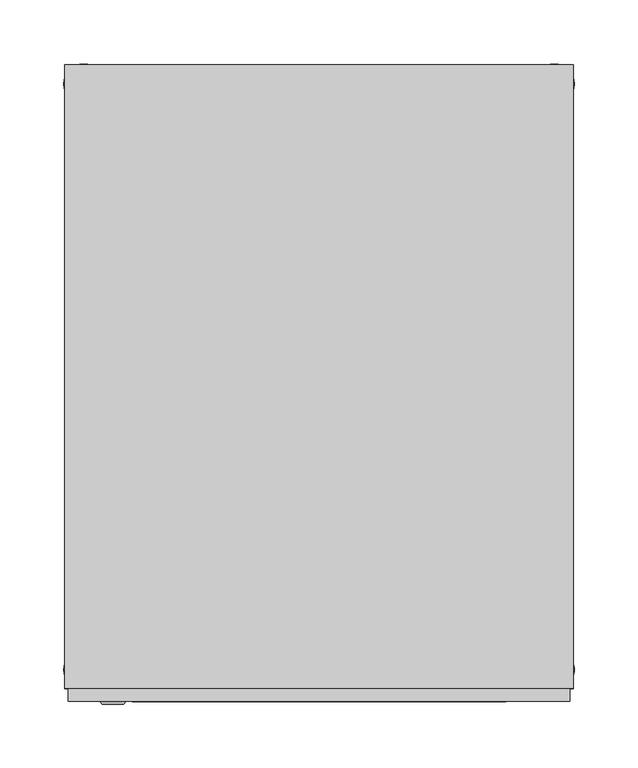
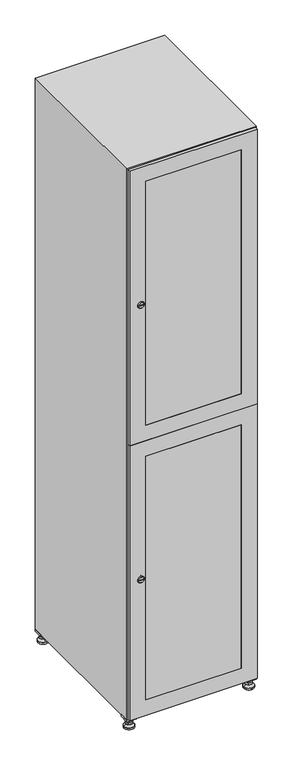
"""IFC4 building model written with IfcOpenShell, lengths in millimetres: furniture geometry."""

from ifc_helpers import new_model, si_unit, point, frame, frame_2d, origin, origin_with_axes, place, context, project, spatial, polyline, circle_curve, trimmed, segment, composite_curve, outline, extrude, faceted_brep, source, transform, mapped, element, save
from ifc_brep_helpers import plane_surface, revolved_surface, advanced_brep


def furniture_b31c573c(model_context):
    return source(origin(), model_context, "Body", "SolidModel", [
        extrude(outline(polyline([(200.0, 245.0), (200.0, 215.0), (170.0, 215.0), (170.0, 245.0), (200.0, 245.0)]), holes=[polyline([(198.0, 243.0), (172.0, 243.0), (172.0, 217.0), (198.0, 217.0), (198.0, 243.0)])]), frame((0.0, 0.0, 28.5), z_axis=(0.0, 0.0, 1.0), x_axis=(1.0, 0.0, 0.0)), (0.0, 0.0, 1.0), 6.5),
        extrude(outline(polyline([(170.0, -245.0), (170.0, -215.0), (200.0, -215.0), (200.0, -245.0), (170.0, -245.0)]), holes=[polyline([(172.0, -243.0), (198.0, -243.0), (198.0, -217.0), (172.0, -217.0), (172.0, -243.0)])]), frame((0.0, 0.0, 28.5), z_axis=(0.0, 0.0, 1.0), x_axis=(1.0, 0.0, 0.0)), (0.0, 0.0, 1.0), 6.5),
        extrude(outline(polyline([(-170.0, 245.0), (-170.0, 215.0), (-200.0, 215.0), (-200.0, 245.0), (-170.0, 245.0)]), holes=[polyline([(-172.0, 243.0), (-198.0, 243.0), (-198.0, 217.0), (-172.0, 217.0), (-172.0, 243.0)])]), frame((0.0, 0.0, 28.5), z_axis=(0.0, 0.0, 1.0), x_axis=(1.0, 0.0, 0.0)), (0.0, 0.0, 1.0), 6.5),
        extrude(outline(polyline([(-170.0, -215.0), (-170.0, -245.0), (-200.0, -245.0), (-200.0, -215.0), (-170.0, -215.0)]), holes=[polyline([(-198.0, -243.0), (-172.0, -243.0), (-172.0, -217.0), (-198.0, -217.0), (-198.0, -243.0)])]), frame((0.0, 0.0, 28.5), z_axis=(0.0, 0.0, 1.0), x_axis=(1.0, 0.0, 0.0)), (0.0, 0.0, 1.0), 6.5),
        extrude(outline(composite_curve([segment(trimmed(circle_curve(frame_2d((-185.0, 230.0)), 5.0), [point((-180.0, 230.0))], [point((-190.0, 230.0))], False, "CARTESIAN"), True, "CONTINUOUS"), segment(trimmed(circle_curve(frame_2d((-185.0, 230.0)), 5.0), [point((-190.0, 230.0))], [point((-180.0, 230.0))], False, "CARTESIAN"), True, "CONTINUOUS")], self_intersect=False)), frame((0.0, 0.0, 19.6), z_axis=(0.0, 0.0, 1.0), x_axis=(1.0, 0.0, 0.0)), (0.0, 0.0, 1.0), 15.4),
        extrude(outline(composite_curve([segment(trimmed(circle_curve(frame_2d((-185.0, -230.0)), 5.0), [point((-180.0, -230.0))], [point((-190.0, -230.0))], False, "CARTESIAN"), True, "CONTINUOUS"), segment(trimmed(circle_curve(frame_2d((-185.0, -230.0)), 5.0), [point((-190.0, -230.0))], [point((-180.0, -230.0))], False, "CARTESIAN"), True, "CONTINUOUS")], self_intersect=False)), frame((0.0, 0.0, 19.6), z_axis=(0.0, 0.0, 1.0), x_axis=(1.0, 0.0, 0.0)), (0.0, 0.0, 1.0), 15.4),
        extrude(outline(composite_curve([segment(trimmed(circle_curve(frame_2d((185.0, 230.0)), 5.0), [point((190.0, 230.0))], [point((180.0, 230.0))], False, "CARTESIAN"), True, "CONTINUOUS"), segment(trimmed(circle_curve(frame_2d((185.0, 230.0)), 5.0), [point((180.0, 230.0))], [point((190.0, 230.0))], False, "CARTESIAN"), True, "CONTINUOUS")], self_intersect=False)), frame((0.0, 0.0, 19.6), z_axis=(0.0, 0.0, 1.0), x_axis=(1.0, 0.0, 0.0)), (0.0, 0.0, 1.0), 15.4),
        extrude(outline(polyline([(173.4529946, 230.0), (179.2264973, 240.0), (190.7735027, 240.0), (196.5470054, 230.0), (190.7735027, 220.0), (179.2264973, 220.0), (173.4529946, 230.0)])), frame((0.0, 0.0, 13.6), z_axis=(0.0, 0.0, 1.0), x_axis=(1.0, 0.0, 0.0)), (0.0, 0.0, 1.0), 6.0),
        extrude(outline(composite_curve([segment(trimmed(circle_curve(frame_2d((185.0, -230.0)), 5.0), [point((190.0, -230.0))], [point((180.0, -230.0))], False, "CARTESIAN"), True, "CONTINUOUS"), segment(trimmed(circle_curve(frame_2d((185.0, -230.0)), 5.0), [point((180.0, -230.0))], [point((190.0, -230.0))], False, "CARTESIAN"), True, "CONTINUOUS")], self_intersect=False)), frame((0.0, 0.0, 19.6), z_axis=(0.0, 0.0, 1.0), x_axis=(1.0, 0.0, 0.0)), (0.0, 0.0, 1.0), 15.4),
        extrude(outline(polyline([(173.4529946, -230.0), (179.2264973, -220.0), (190.7735027, -220.0), (196.5470054, -230.0), (190.7735027, -240.0), (179.2264973, -240.0), (173.4529946, -230.0)])), frame((0.0, 0.0, 13.6), z_axis=(0.0, 0.0, 1.0), x_axis=(1.0, 0.0, 0.0)), (0.0, 0.0, 1.0), 6.0),
        extrude(outline(composite_curve([segment(trimmed(circle_curve(frame_2d((185.0, 230.0)), 5.0), [point((190.0, 230.0))], [point((180.0, 230.0))], False, "CARTESIAN"), True, "CONTINUOUS"), segment(trimmed(circle_curve(frame_2d((185.0, 230.0)), 5.0), [point((180.0, 230.0))], [point((190.0, 230.0))], False, "CARTESIAN"), True, "CONTINUOUS")], self_intersect=False)), frame((0.0, 0.0, 12.1), z_axis=(0.0, 0.0, 1.0), x_axis=(1.0, 0.0, 0.0)), (0.0, 0.0, 1.0), 1.5),
        extrude(outline(composite_curve([segment(trimmed(circle_curve(frame_2d((185.0, -230.0)), 5.0), [point((190.0, -230.0))], [point((180.0, -230.0))], False, "CARTESIAN"), True, "CONTINUOUS"), segment(trimmed(circle_curve(frame_2d((185.0, -230.0)), 5.0), [point((180.0, -230.0))], [point((190.0, -230.0))], False, "CARTESIAN"), True, "CONTINUOUS")], self_intersect=False)), frame((0.0, 0.0, 12.1), z_axis=(0.0, 0.0, 1.0), x_axis=(1.0, 0.0, 0.0)), (0.0, 0.0, 1.0), 1.5),
        extrude(outline(polyline([(-196.5470054, 230.0), (-190.7735027, 240.0), (-179.2264973, 240.0), (-173.4529946, 230.0), (-179.2264973, 220.0), (-190.7735027, 220.0), (-196.5470054, 230.0)])), frame((0.0, 0.0, 13.6), z_axis=(0.0, 0.0, 1.0), x_axis=(1.0, 0.0, 0.0)), (0.0, 0.0, 1.0), 6.0),
        extrude(outline(polyline([(-196.5470054, -230.0), (-190.7735027, -220.0), (-179.2264973, -220.0), (-173.4529946, -230.0), (-179.2264973, -240.0), (-190.7735027, -240.0), (-196.5470054, -230.0)])), frame((0.0, 0.0, 13.6), z_axis=(0.0, 0.0, 1.0), x_axis=(1.0, 0.0, 0.0)), (0.0, 0.0, 1.0), 6.0),
        extrude(outline(composite_curve([segment(trimmed(circle_curve(frame_2d((-185.0, 230.0)), 5.0), [point((-185.0, 235.0))], [point((-185.0, 225.0))], False, "CARTESIAN"), True, "CONTINUOUS"), segment(trimmed(circle_curve(frame_2d((-185.0, 230.0)), 5.0), [point((-185.0, 225.0))], [point((-185.0, 235.0))], False, "CARTESIAN"), True, "CONTINUOUS")], self_intersect=False)), frame((0.0, 0.0, 12.1), z_axis=(0.0, 0.0, 1.0), x_axis=(1.0, 0.0, 0.0)), (0.0, 0.0, 1.0), 1.5),
        extrude(outline(composite_curve([segment(trimmed(circle_curve(frame_2d((-185.0, -230.0)), 5.0), [point((-180.0, -230.0))], [point((-190.0, -230.0))], False, "CARTESIAN"), True, "CONTINUOUS"), segment(trimmed(circle_curve(frame_2d((-185.0, -230.0)), 5.0), [point((-190.0, -230.0))], [point((-180.0, -230.0))], False, "CARTESIAN"), True, "CONTINUOUS")], self_intersect=False)), frame((0.0, 0.0, 12.1), z_axis=(0.0, 0.0, 1.0), x_axis=(1.0, 0.0, 0.0)), (0.0, 0.0, 1.0), 1.5),
        extrude(outline(composite_curve([segment(trimmed(circle_curve(frame_2d((185.0, 230.0)), 15.75), [point((200.75, 230.0))], [point((169.25, 230.0))], False, "CARTESIAN"), True, "CONTINUOUS"), segment(trimmed(circle_curve(frame_2d((185.0, 230.0)), 15.75), [point((169.25, 230.0))], [point((200.75, 230.0))], False, "CARTESIAN"), True, "CONTINUOUS")], self_intersect=False)), origin_with_axes(), (0.0, 0.0, 1.0), 5.1),
        extrude(outline(composite_curve([segment(trimmed(circle_curve(frame_2d((185.0, -230.0)), 15.75), [point((185.0, -214.25))], [point((185.0, -245.75))], False, "CARTESIAN"), True, "CONTINUOUS"), segment(trimmed(circle_curve(frame_2d((185.0, -230.0)), 15.75), [point((185.0, -245.75))], [point((185.0, -214.25))], False, "CARTESIAN"), True, "CONTINUOUS")], self_intersect=False)), origin_with_axes(), (0.0, 0.0, 1.0), 5.1),
        extrude(outline(composite_curve([segment(trimmed(circle_curve(frame_2d((-185.0, -230.0)), 15.75), [point((-169.25, -230.0))], [point((-200.75, -230.0))], False, "CARTESIAN"), True, "CONTINUOUS"), segment(trimmed(circle_curve(frame_2d((-185.0, -230.0)), 15.75), [point((-200.75, -230.0))], [point((-169.25, -230.0))], False, "CARTESIAN"), True, "CONTINUOUS")], self_intersect=False)), origin_with_axes(), (0.0, 0.0, 1.0), 5.1),
        extrude(outline(composite_curve([segment(trimmed(circle_curve(frame_2d((-185.0, 230.0)), 15.75), [point((-169.25, 230.0))], [point((-200.75, 230.0))], False, "CARTESIAN"), True, "CONTINUOUS"), segment(trimmed(circle_curve(frame_2d((-185.0, 230.0)), 15.75), [point((-200.75, 230.0))], [point((-169.25, 230.0))], False, "CARTESIAN"), True, "CONTINUOUS")], self_intersect=False)), origin_with_axes(), (0.0, 0.0, 1.0), 5.1),
        advanced_brep(
        [(-185.0, 239.5, 12.1), (-185.0, 220.5, 12.1), (-185.0, 214.25, 5.1), (-185.0, 245.75, 5.1)],
        [
            (0, 1, circle_curve(frame((-185.0, 230.0, 12.1), z_axis=(0.0, 0.0, -1.0), x_axis=(0.0, 1.0, 0.0)), 9.5)),
            (1, 2),
            (2, 3, circle_curve(frame((-185.0, 230.0, 5.1), z_axis=(0.0, 0.0, 1.0), x_axis=(0.0, 1.0, 0.0)), 15.75)),
            (3, 0),
            (1, 0, circle_curve(frame((-185.0, 230.0, 12.1), z_axis=(0.0, 0.0, -1.0), x_axis=(0.0, -1.0, 0.0)), 9.5)),
            (3, 2, circle_curve(frame((-185.0, 230.0, 5.1), z_axis=(0.0, 0.0, 1.0), x_axis=(0.0, -1.0, 0.0)), 15.75)),
        ],
        [
            revolved_surface(polyline([(-185.0, 220.5, 12.099999999999998), (-185.0, 214.25, 5.099999999999998)]), (-185.0, 230.0, 22.74), (0.0, 0.0, -1.0)),
            revolved_surface(polyline([(-185.0, 239.5, 12.099999999999998), (-185.0, 245.75, 5.099999999999998)]), (-185.0, 230.0, 22.74), (0.0, 0.0, -1.0)),
            plane_surface(frame((-185.0, 230.0, 5.1), z_axis=(0.0, 0.0, -1.0), x_axis=(1.0, 0.0, 0.0))),
            plane_surface(frame((-185.0, 230.0, 12.1), z_axis=(0.0, 0.0, 1.0), x_axis=(1.0, 0.0, 0.0))),
        ],
        [
            (0, [[1, 2, 3, 4]]),
            (1, [[5, -4, 6, -2]]),
            (2, [[-3, -6]]),
            (3, [[-5, -1]]),
        ],
    ),
        advanced_brep(
        [(185.0, 239.5, 12.1), (185.0, 220.5, 12.1), (185.0, 214.25, 5.1), (185.0, 245.75, 5.1)],
        [
            (0, 1, circle_curve(frame((185.0, 230.0, 12.1), z_axis=(0.0, 0.0, -1.0), x_axis=(0.0, 1.0, 0.0)), 9.5)),
            (1, 2),
            (2, 3, circle_curve(frame((185.0, 230.0, 5.1), z_axis=(0.0, 0.0, 1.0), x_axis=(0.0, 1.0, 0.0)), 15.75)),
            (3, 0),
            (1, 0, circle_curve(frame((185.0, 230.0, 12.1), z_axis=(0.0, 0.0, -1.0), x_axis=(0.0, -1.0, 0.0)), 9.5)),
            (3, 2, circle_curve(frame((185.0, 230.0, 5.1), z_axis=(0.0, 0.0, 1.0), x_axis=(0.0, -1.0, 0.0)), 15.75)),
        ],
        [
            revolved_surface(polyline([(185.0, 220.5, 12.099999999999998), (185.0, 214.25, 5.099999999999998)]), (185.0, 230.0, 22.74), (0.0, 0.0, -1.0)),
            revolved_surface(polyline([(185.0, 239.5, 12.099999999999998), (185.0, 245.75, 5.099999999999998)]), (185.0, 230.0, 22.74), (0.0, 0.0, -1.0)),
            plane_surface(frame((185.0, 230.0, 5.1), z_axis=(0.0, 0.0, -1.0), x_axis=(1.0, 0.0, 0.0))),
            plane_surface(frame((185.0, 230.0, 12.1), z_axis=(0.0, 0.0, 1.0), x_axis=(1.0, 0.0, 0.0))),
        ],
        [
            (0, [[1, 2, 3, 4]]),
            (1, [[5, -4, 6, -2]]),
            (2, [[-3, -6]]),
            (3, [[-5, -1]]),
        ],
    ),
        advanced_brep(
        [(200.75, -230.0, 5.1), (169.25, -230.0, 5.1), (175.5, -230.0, 12.1), (194.5, -230.0, 12.1)],
        [
            (0, 1, circle_curve(frame((185.0, -230.0, 5.1), z_axis=(0.0, 0.0, 1.0), x_axis=(1.0, 0.0, 0.0)), 15.75)),
            (1, 2),
            (2, 3, circle_curve(frame((185.0, -230.0, 12.1), z_axis=(0.0, 0.0, -1.0), x_axis=(1.0, 0.0, 0.0)), 9.5)),
            (3, 0),
            (1, 0, circle_curve(frame((185.0, -230.0, 5.1), z_axis=(0.0, 0.0, 1.0), x_axis=(-1.0, 0.0, 0.0)), 15.75)),
            (3, 2, circle_curve(frame((185.0, -230.0, 12.1), z_axis=(0.0, 0.0, -1.0), x_axis=(-1.0, 0.0, 0.0)), 9.5)),
        ],
        [
            revolved_surface(polyline([(194.5, -230.0, 12.099999999999998), (200.75, -230.0, 5.099999999999998)]), (185.0, -230.0, 22.74), (0.0, 0.0, -1.0)),
            revolved_surface(polyline([(175.5, -230.0, 12.099999999999998), (169.25, -230.0, 5.099999999999998)]), (185.0, -230.0, 22.74), (0.0, 0.0, -1.0)),
            plane_surface(frame((185.0, -230.0, 12.1), z_axis=(0.0, 0.0, 1.0), x_axis=(0.0, 1.0, 0.0))),
            plane_surface(frame((185.0, -230.0, 5.1), z_axis=(0.0, 0.0, -1.0), x_axis=(0.0, 1.0, 0.0))),
        ],
        [
            (0, [[1, 2, 3, 4]]),
            (1, [[5, -4, 6, -2]]),
            (2, [[-3, -6]]),
            (3, [[-5, -1]]),
        ],
    ),
        advanced_brep(
        [(-169.25, -230.0, 5.1), (-200.75, -230.0, 5.1), (-194.5, -230.0, 12.1), (-175.5, -230.0, 12.1)],
        [
            (0, 1, circle_curve(frame((-185.0, -230.0, 5.1), z_axis=(0.0, 0.0, 1.0), x_axis=(1.0, 0.0, 0.0)), 15.75)),
            (1, 2),
            (2, 3, circle_curve(frame((-185.0, -230.0, 12.1), z_axis=(0.0, 0.0, -1.0), x_axis=(1.0, 0.0, 0.0)), 9.5)),
            (3, 0),
            (1, 0, circle_curve(frame((-185.0, -230.0, 5.1), z_axis=(0.0, 0.0, 1.0), x_axis=(-1.0, 0.0, 0.0)), 15.75)),
            (3, 2, circle_curve(frame((-185.0, -230.0, 12.1), z_axis=(0.0, 0.0, -1.0), x_axis=(-1.0, 0.0, 0.0)), 9.5)),
        ],
        [
            revolved_surface(polyline([(-175.5, -230.0, 12.099999999999998), (-169.25, -230.0, 5.099999999999998)]), (-185.0, -230.0, 22.74), (0.0, 0.0, -1.0)),
            revolved_surface(polyline([(-194.5, -230.0, 12.099999999999998), (-200.75, -230.0, 5.099999999999998)]), (-185.0, -230.0, 22.74), (0.0, 0.0, -1.0)),
            plane_surface(frame((-185.0, -230.0, 12.1), z_axis=(0.0, 0.0, 1.0), x_axis=(0.0, 1.0, 0.0))),
            plane_surface(frame((-185.0, -230.0, 5.1), z_axis=(0.0, 0.0, -1.0), x_axis=(0.0, 1.0, 0.0))),
        ],
        [
            (0, [[1, 2, 3, 4]]),
            (1, [[5, -4, 6, -2]]),
            (2, [[-3, -6]]),
            (3, [[-5, -1]]),
        ],
    ),
        extrude(outline(composite_curve([segment(trimmed(circle_curve(frame_2d((1383.5, -188.7989466)), 7.0), [point((1390.5, -188.7989466))], [point((1376.5, -188.7989466))], False, "CARTESIAN"), True, "CONTINUOUS"), segment(polyline([(1376.5, -188.7989466), (1376.5, -160.7989466)]), True, "CONTINUOUS"), segment(trimmed(circle_curve(frame_2d((1383.5, -160.7989466)), 7.0), [point((1376.5, -160.7989466))], [point((1390.5, -160.7989466))], False, "CARTESIAN"), True, "CONTINUOUS"), segment(polyline([(1390.5, -160.7989466), (1390.5, -188.7989466)]), True, "CONTINUOUS")], self_intersect=False)), frame((0.0, -245.0, 0.0), z_axis=(0.0, 1.0, 0.0), x_axis=(0.0, 0.0, 1.0)), (0.0, 0.0, 1.0), 2.0),
        advanced_brep(
        [(-153.5, -257.2, 1383.5), (-170.5, -257.2, 1383.5), (-167.0, -257.2, 1382.25), (-167.0, -257.2, 1384.75), (-157.0, -257.2, 1384.75), (-157.0, -257.2, 1382.25), (-151.5, -255.0, 1383.5), (-172.5, -255.0, 1383.5), (-167.0, -255.0, 1384.75), (-167.0, -255.0, 1382.25), (-157.0, -255.0, 1382.25), (-157.0, -255.0, 1384.75)],
        [
            (0, 1, circle_curve(frame((-162.0, -257.2, 1383.5), z_axis=(0.0, -1.0, 0.0), x_axis=(1.0, 0.0, 0.0)), 8.5)),
            (1, 0, circle_curve(frame((-162.0, -257.2, 1383.5), z_axis=(0.0, -1.0, 0.0), x_axis=(-1.0, 0.0, 0.0)), 8.5)),
            (2, 3),
            (3, 4),
            (4, 5),
            (5, 2),
            (6, 7, circle_curve(frame((-162.0, -255.0, 1383.5), z_axis=(0.0, 1.0, 0.0), x_axis=(-1.0, 0.0, 0.0)), 10.5)),
            (7, 6, circle_curve(frame((-162.0, -255.0, 1383.5), z_axis=(0.0, 1.0, 0.0), x_axis=(1.0, 0.0, 0.0)), 10.5)),
            (8, 9),
            (9, 10),
            (10, 11),
            (11, 8),
            (0, 6),
            (7, 1),
            (8, 3),
            (2, 9),
            (11, 4),
            (10, 5),
        ],
        [
            plane_surface(frame((-162.0, -257.2, 1383.5), z_axis=(0.0, -1.0, 0.0), x_axis=(0.0, 0.0, 1.0))),
            plane_surface(frame((-162.0, -255.0, 1383.5), z_axis=(0.0, 1.0, 0.0), x_axis=(0.0, 0.0, 1.0))),
            revolved_surface(polyline([(-153.5, -257.2, 1383.5), (-151.5, -255.0, 1383.5)]), (-162.0, -266.55, 1383.5), (0.0, 1.0, 0.0)),
            revolved_surface(polyline([(-170.5, -257.2, 1383.5), (-172.5, -255.0, 1383.5)]), (-162.0, -266.55, 1383.5), (0.0, 1.0, 0.0)),
            plane_surface(frame((-167.0, -255.0, 1382.25), z_axis=(1.0, 0.0, 0.0), x_axis=(0.0, -1.0, 0.0))),
            plane_surface(frame((-167.0, -255.0, 1384.75), z_axis=(0.0, 0.0, -1.0), x_axis=(0.0, -1.0, 0.0))),
            plane_surface(frame((-157.0, -255.0, 1384.75), z_axis=(-1.0, 0.0, 0.0), x_axis=(0.0, -1.0, 0.0))),
            plane_surface(frame((-157.0, -255.0, 1382.25), z_axis=(0.0, 0.0, 1.0), x_axis=(0.0, -1.0, 0.0))),
        ],
        [
            (0, [[1, 2], [3, 4, 5, 6]]),
            (1, [[7, 8], [9, 10, 11, 12]]),
            (2, [[-1, 13, -8, 14]]),
            (3, [[-2, -14, -7, -13]]),
            (4, [[15, -3, 16, -9]]),
            (5, [[-15, -12, 17, -4]]),
            (6, [[-17, -11, 18, -5]]),
            (7, [[-16, -6, -18, -10]]),
        ],
    ),
        extrude(outline(composite_curve([segment(trimmed(circle_curve(frame_2d((486.5, -188.7989466)), 7.0), [point((493.5, -188.7989466))], [point((479.5, -188.7989466))], False, "CARTESIAN"), True, "CONTINUOUS"), segment(polyline([(479.5, -188.7989466), (479.5, -160.7989466)]), True, "CONTINUOUS"), segment(trimmed(circle_curve(frame_2d((486.5, -160.7989466)), 7.0), [point((479.5, -160.7989466))], [point((493.5, -160.7989466))], False, "CARTESIAN"), True, "CONTINUOUS"), segment(polyline([(493.5, -160.7989466), (493.5, -188.7989466)]), True, "CONTINUOUS")], self_intersect=False)), frame((0.0, -245.0, 0.0), z_axis=(0.0, 1.0, 0.0), x_axis=(0.0, 0.0, 1.0)), (0.0, 0.0, 1.0), 2.0),
        advanced_brep(
        [(-153.5, -257.2, 486.5), (-170.5, -257.2, 486.5), (-167.0, -257.2, 485.25), (-167.0, -257.2, 487.75), (-157.0, -257.2, 487.75), (-157.0, -257.2, 485.25), (-151.5, -255.0, 486.5), (-172.5, -255.0, 486.5), (-167.0, -255.0, 487.75), (-167.0, -255.0, 485.25), (-157.0, -255.0, 485.25), (-157.0, -255.0, 487.75)],
        [
            (0, 1, circle_curve(frame((-162.0, -257.2, 486.5), z_axis=(0.0, -1.0, 0.0), x_axis=(1.0, 0.0, 0.0)), 8.5)),
            (1, 0, circle_curve(frame((-162.0, -257.2, 486.5), z_axis=(0.0, -1.0, 0.0), x_axis=(-1.0, 0.0, 0.0)), 8.5)),
            (2, 3),
            (3, 4),
            (4, 5),
            (5, 2),
            (6, 7, circle_curve(frame((-162.0, -255.0, 486.5), z_axis=(0.0, 1.0, 0.0), x_axis=(-1.0, 0.0, 0.0)), 10.5)),
            (7, 6, circle_curve(frame((-162.0, -255.0, 486.5), z_axis=(0.0, 1.0, 0.0), x_axis=(1.0, 0.0, 0.0)), 10.5)),
            (8, 9),
            (9, 10),
            (10, 11),
            (11, 8),
            (0, 6),
            (7, 1),
            (8, 3),
            (2, 9),
            (11, 4),
            (10, 5),
        ],
        [
            plane_surface(frame((-162.0, -257.2, 486.5), z_axis=(0.0, -1.0, 0.0), x_axis=(0.0, 0.0, 1.0))),
            plane_surface(frame((-162.0, -255.0, 486.5), z_axis=(0.0, 1.0, 0.0), x_axis=(0.0, 0.0, 1.0))),
            revolved_surface(polyline([(-153.5, -257.2, 486.5), (-151.5, -255.0, 486.5)]), (-162.0, -266.55, 486.5), (0.0, 1.0, 0.0)),
            revolved_surface(polyline([(-170.5, -257.2, 486.5), (-172.5, -255.0, 486.5)]), (-162.0, -266.55, 486.5), (0.0, 1.0, 0.0)),
            plane_surface(frame((-167.0, -255.0, 485.25), z_axis=(1.0, 0.0, 0.0), x_axis=(0.0, -1.0, 0.0))),
            plane_surface(frame((-167.0, -255.0, 487.75), z_axis=(0.0, 0.0, -1.0), x_axis=(0.0, -1.0, 0.0))),
            plane_surface(frame((-157.0, -255.0, 487.75), z_axis=(-1.0, 0.0, 0.0), x_axis=(0.0, -1.0, 0.0))),
            plane_surface(frame((-157.0, -255.0, 485.25), z_axis=(0.0, 0.0, 1.0), x_axis=(0.0, -1.0, 0.0))),
        ],
        [
            (0, [[1, 2], [3, 4, 5, 6]]),
            (1, [[7, 8], [9, 10, 11, 12]]),
            (2, [[-1, 13, -8, 14]]),
            (3, [[-2, -14, -7, -13]]),
            (4, [[15, -3, 16, -9]]),
            (5, [[-15, -12, 17, -4]]),
            (6, [[-17, -11, 18, -5]]),
            (7, [[-16, -6, -18, -10]]),
        ],
    ),
        extrude(outline(polyline([(935.5, 197.0), (1832.0, 197.0), (1832.0, -197.0), (935.5, -197.0), (935.5, 197.0)]), holes=[polyline([(1782.0, -147.0), (1782.0, 147.0), (985.5, 147.0), (985.5, -147.0), (1782.0, -147.0)])]), frame((0.0, -255.0, 0.0), z_axis=(0.0, 1.0, 0.0), x_axis=(0.0, 0.0, 1.0)), (0.0, 0.0, 1.0), 10.0),
        extrude(outline(polyline([(934.5, -197.0), (38.0, -197.0), (38.0, 197.0), (934.5, 197.0), (934.5, -197.0)]), holes=[polyline([(88.0, -147.0), (884.5, -147.0), (884.5, 147.0), (88.0, 147.0), (88.0, -147.0)])]), frame((0.0, -255.0, 0.0), z_axis=(0.0, 1.0, 0.0), x_axis=(0.0, 0.0, 1.0)), (0.0, 0.0, 1.0), 10.0),
        extrude(outline(polyline([(147.0, -255.0), (-147.0, -255.0), (-147.0, -245.0), (147.0, -245.0), (147.0, -255.0)])), frame((0.0, 0.0, 985.5), z_axis=(0.0, 0.0, 1.0), x_axis=(1.0, 0.0, 0.0)), (0.0, 0.0, 1.0), 796.5),
        extrude(outline(polyline([(147.0, -255.0), (-147.0, -255.0), (-147.0, -245.0), (147.0, -245.0), (147.0, -255.0)])), frame((0.0, 0.0, 88.0), z_axis=(0.0, 0.0, 1.0), x_axis=(1.0, 0.0, 0.0)), (0.0, 0.0, 1.0), 796.5),
        extrude(outline(polyline([(179.6, 242.0), (179.6, -235.0), (-179.6, -235.0), (-179.6, 242.0), (179.6, 242.0)])), frame((0.0, 0.0, 924.8), z_axis=(0.0, 0.0, 1.0), x_axis=(1.0, 0.0, 0.0)), (0.0, 0.0, 1.0), 20.4),
        faceted_brep([(200.0, -245.0, 35.0), (200.0, -245.0, 1835.0), (-200.0, -245.0, 1835.0), (-200.0, -245.0, 35.0), (179.6, -245.0, 1804.8), (179.6, -245.0, 65.2), (-179.6, -245.0, 65.2), (-179.6, -245.0, 1804.8), (200.0, 245.0, 35.0), (-200.0, 245.0, 35.0), (200.0, 245.0, 1835.0), (-200.0, 245.0, 1835.0), (179.6, 242.0, 1804.8), (179.6, 242.0, 65.2), (-200.0, 245.0, 1804.8), (-179.6, 242.0, 1804.8), (-179.6, 242.0, 65.2)], [[[0, 1, 2, 3], [4, 5, 6, 7]], [[8, 0, 3, 9]], [[1, 0, 8, 10]], [[1, 10, 11, 2]], [[4, 12, 13, 5]], [[9, 3, 2, 11, 14]], [[10, 8, 9, 14, 11]], [[12, 15, 16, 13]], [[15, 7, 6, 16]], [[4, 7, 15, 12]], [[6, 5, 13, 16]]]),
    ])


if __name__ == "__main__":
    model = new_model("IFC4")
    model_context = context("Model", 3, world=origin())
    ifc_project = project(units=[si_unit("LENGTHUNIT", "METRE", prefix="MILLI")], contexts=[model_context])
    site = spatial("IfcSite", under=ifc_project)
    building = spatial("IfcBuilding", under=site)
    placement = place(None, origin())
    furniture_shape = furniture_b31c573c(model_context)
    element("IfcFurniture", 1, at=placement, inside=building, context=model_context, shape_type="MappedRepresentation", body=[
        mapped(furniture_shape, transform((0.0, 0.0, 0.0), x_axis=(1.0, 0.0, 0.0), y_axis=(0.0, 1.0, 0.0), z_axis=(0.0, 0.0, 1.0))),
    ])
    save(model, "model.ifc")
